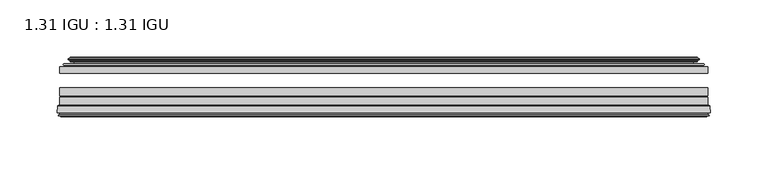
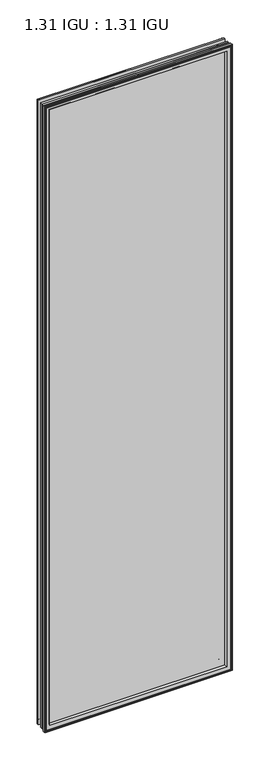
"""IFC4 building model written with IfcOpenShell, lengths in millimetres: plate geometry, 1.31 IGU : 1.31 IGU."""

from ifc_helpers import new_model, si_unit, frame, origin, place, context, project, spatial, polyline, ellipse_curve, outline, extrude, source, transform, mapped, element, save
from ifc_brep_helpers import plane_surface, cylinder_surface, revolved_surface, advanced_brep


def plate_1_31_igu_1_31_igu_366c70c2(model_context):
    return source(origin(), model_context, "Body", "SolidModel", [
        extrude(outline(polyline([(284.1575649, -44.8960875), (284.1575649, -50.4332875), (-284.1625, -50.4332875), (-284.1625, -44.8960875), (284.1575649, -44.8960875)])), frame((0.0, 0.0, -14.2875), z_axis=(0.0, 0.0, 1.0), x_axis=(1.0, 0.0, 0.0)), (0.0, 0.0, 1.0), 2009.67848),
        extrude(outline(polyline([(-284.1625, -78.7796875), (-284.1625, -71.7692875), (284.1575649, -71.7692875), (284.1575649, -78.7796875), (-284.1625, -78.7796875)])), frame((0.0, 0.0, -14.2875), z_axis=(0.0, 0.0, 1.0), x_axis=(1.0, 0.0, 0.0)), (0.0, 0.0, 1.0), 2009.67848),
        extrude(outline(polyline([(-284.1625, -70.2452875), (-284.1625, -63.1332875), (284.1575649, -63.1332875), (284.1575649, -70.2452875), (-284.1625, -70.2452875)])), frame((0.0, 0.0, -14.2875), z_axis=(0.0, 0.0, 1.0), x_axis=(1.0, 0.0, 0.0)), (0.0, 0.0, 1.0), 2009.67848),
        advanced_brep(
        [(-286.7094039, -85.1296875, 1997.9378839), (-286.0146201, -79.4711276, 1997.2431001), (-286.0146201, -79.4711276, -16.1396201), (-286.7094039, -85.1296875, -16.8344039), (-284.3218039, -87.1207518, 1995.5502839), (-284.7790039, -85.1296875, 1996.0074839), (-284.7790039, -85.1296875, -14.9040039), (-284.3218039, -87.1207518, -14.4468039), (-285.3231658, -86.8524376, 1996.5516458), (-285.3231658, -86.8524376, -15.4481658), (-285.5664039, -87.7602147, 1996.7948839), (-285.5664039, -87.7602147, -15.6914039), (-283.5344039, -88.3046875, 1994.7628839), (-283.5344039, -88.3046875, -13.6594039), (-281.5024039, -87.7602147, 1992.7308839), (-281.5024039, -87.7602147, -11.6274039), (-281.7456421, -86.8524376, 1992.9741221), (-281.7456421, -86.8524376, -11.8706421), (-282.7470039, -87.1207518, 1993.9754839), (-282.7470039, -87.1207518, -12.8720039), (-282.2898039, -85.1296875, 1993.5182839), (-282.2898039, -85.1296875, -12.4148039), (-285.2330893, -78.7796875, 1996.4615693), (-285.2330893, -78.7796875, -15.3580893), (286.0146201, -79.4711276, -16.1396201), (286.7094039, -85.1296875, -16.8344039), (284.7790039, -85.1296875, -14.9040039), (284.3218039, -87.1207518, -14.4468039), (285.3231658, -86.8524376, -15.4481658), (285.5664039, -87.7602147, -15.6914039), (283.5344039, -88.3046875, -13.6594039), (281.5024039, -87.7602147, -11.6274039), (281.7456421, -86.8524376, -11.8706421), (282.7470039, -87.1207518, -12.8720039), (282.2898039, -85.1296875, -12.4148039), (285.2330893, -78.7796875, -15.3580893), (286.0146201, -79.4711276, 1997.2431001), (286.7094039, -85.1296875, 1997.9378839), (284.7790039, -85.1296875, 1996.0074839), (284.3218039, -87.1207518, 1995.5502839), (285.3231658, -86.8524376, 1996.5516458), (285.5664039, -87.7602147, 1996.7948839), (283.5344039, -88.3046875, 1994.7628839), (281.5024039, -87.7602147, 1992.7308839), (281.7456421, -86.8524376, 1992.9741221), (282.7470039, -87.1207518, 1993.9754839), (282.2898039, -85.1296875, 1993.5182839), (285.2330893, -78.7796875, 1996.4615693), (-269.8872131, -85.1296875, 1981.1156931), (269.8872131, -85.1296875, 1981.1156931), (269.8872131, -85.1296875, -0.0122131), (-269.8872131, -85.1296875, -0.0122131), (-266.5709362, -78.7796875, 3.3040638), (266.5709362, -78.7796875, 3.3040638), (266.5709362, -78.7796875, 1977.7994162), (-266.5709362, -78.7796875, 1977.7994162)],
        [
            (0, 1),
            (1, 2),
            (2, 3),
            (3, 0),
            (4, 5),
            (5, 6),
            (6, 7),
            (7, 4),
            (8, 4),
            (7, 9),
            (9, 8),
            (10, 8),
            (9, 11),
            (11, 10),
            (12, 10),
            (11, 13),
            (13, 12),
            (14, 12),
            (13, 15),
            (15, 14),
            (16, 14),
            (15, 17),
            (17, 16),
            (18, 16),
            (17, 19),
            (19, 18),
            (20, 18),
            (19, 21),
            (21, 20),
            (1, 22, ellipse_curve(frame((-285.2330893, -79.5670875, 1996.4615693), z_axis=(-0.7071067811865475, 0.0, -0.7071067811865475), x_axis=(-0.7071067811865474, 0.0, 0.7071067811865476)), 1.1135518, 0.7874)),
            (22, 23),
            (23, 2, ellipse_curve(frame((-285.2330893, -79.5670875, -15.3580893), z_axis=(-0.7071067811865475, 0.0, 0.7071067811865475), x_axis=(0.7071067811865474, 0.0, 0.7071067811865476)), 1.1135518, 0.7874)),
            (2, 24),
            (24, 25),
            (25, 3),
            (6, 26),
            (26, 27),
            (27, 7),
            (27, 28),
            (28, 9),
            (28, 29),
            (29, 11),
            (29, 30),
            (30, 13),
            (30, 31),
            (31, 15),
            (31, 32),
            (32, 17),
            (32, 33),
            (33, 19),
            (33, 34),
            (34, 21),
            (23, 35),
            (35, 24, ellipse_curve(frame((285.2330893, -79.5670875, -15.3580893), z_axis=(-0.7071067811865475, 0.0, -0.7071067811865475), x_axis=(-0.7071067811865476, 0.0, 0.7071067811865474)), 1.1135518, 0.7874)),
            (24, 36),
            (36, 37),
            (37, 25),
            (26, 38),
            (38, 39),
            (39, 27),
            (39, 40),
            (40, 28),
            (40, 41),
            (41, 29),
            (41, 42),
            (42, 30),
            (42, 43),
            (43, 31),
            (43, 44),
            (44, 32),
            (44, 45),
            (45, 33),
            (45, 46),
            (46, 34),
            (35, 47),
            (47, 36, ellipse_curve(frame((285.2330893, -79.5670875, 1996.4615693), z_axis=(0.7071067811865475, 0.0, -0.7071067811865475), x_axis=(-0.7071067811865474, 0.0, -0.7071067811865476)), 1.1135518, 0.7874)),
            (36, 1),
            (0, 37),
            (5, 38),
            (4, 39),
            (8, 40),
            (10, 41),
            (12, 42),
            (14, 43),
            (16, 44),
            (18, 45),
            (20, 46),
            (48, 49),
            (49, 50),
            (50, 51),
            (51, 48),
            (22, 47),
            (52, 53),
            (53, 54),
            (54, 55),
            (55, 52),
            (55, 48, ellipse_curve(frame((-258.6379182, -86.963653, 1969.8663982), z_axis=(0.7071067811865475, 0.0, 0.7071067811865475), x_axis=(0.7071067811865474, 0.0, -0.7071067811865476)), 16.118937, 11.3978097)),
            (51, 52, ellipse_curve(frame((-258.6379182, -86.963653, 11.2370818), z_axis=(0.7071067811865475, 0.0, -0.7071067811865475), x_axis=(-0.7071067811865474, 0.0, -0.7071067811865476)), 16.118937, 11.3978097)),
            (50, 53, ellipse_curve(frame((258.6379182, -86.963653, 11.2370818), z_axis=(0.7071067811865475, 0.0, 0.7071067811865475), x_axis=(0.7071067811865476, 0.0, -0.7071067811865474)), 16.118937, 11.3978097)),
            (49, 54, ellipse_curve(frame((258.6379182, -86.963653, 1969.8663982), z_axis=(-0.7071067811865475, 0.0, 0.7071067811865475), x_axis=(0.7071067811865474, 0.0, 0.7071067811865476)), 16.118937, 11.3978097)),
        ],
        [
            plane_surface(frame((-286.0146201, -79.4711276, 1997.2431001), z_axis=(-0.9925461516413008, 0.1218693434053207, 0.0), x_axis=(0.0, 0.0, -1.0))),
            plane_surface(frame((-284.7790039, -85.1296875, 1996.0074839), z_axis=(-0.9746347637895997, -0.22380142361654332, 0.0), x_axis=(0.0, 0.0, -1.0))),
            plane_surface(frame((-284.3218039, -87.1207518, 1995.5502839), z_axis=(0.2588190451026679, 0.9659258262890289, 0.0), x_axis=(0.0, 0.0, -1.0))),
            plane_surface(frame((-285.3231658, -86.8524376, 1996.5516458), z_axis=(-0.9659258262890449, 0.25881904510260834, 0.0), x_axis=(0.0, 0.0, -1.0))),
            plane_surface(frame((-285.5664039, -87.7602147, 1996.7948839), z_axis=(-0.258819045102569, -0.9659258262890554, 0.0), x_axis=(0.0, 0.0, -1.0))),
            plane_surface(frame((-283.5344039, -88.3046875, 1994.7628839), z_axis=(0.2588190451024146, -0.9659258262890968, 0.0), x_axis=(0.0, 0.0, -1.0))),
            plane_surface(frame((-281.5024039, -87.7602147, 1992.7308839), z_axis=(0.9659258262890272, 0.258819045102674, 0.0), x_axis=(0.0, 0.0, -1.0))),
            plane_surface(frame((-281.7456421, -86.8524376, 1992.9741221), z_axis=(-0.2588190451023417, 0.9659258262891163, 0.0), x_axis=(0.0, 0.0, -1.0))),
            plane_surface(frame((-282.7470039, -87.1207518, 1993.9754839), z_axis=(0.9746347637895936, -0.2238014236165695, 0.0), x_axis=(0.0, 0.0, -1.0))),
            cylinder_surface(frame((-285.2330893, -79.5670875, 2012.85348), z_axis=(0.0, 0.0, 1.0), x_axis=(-1.0, 0.0, 0.0)), 0.7874),
            plane_surface(frame((-286.0146201, -79.4711276, -16.1396201), z_axis=(0.0, 0.12186934340531747, -0.9925461516413012), x_axis=(1.0, 0.0, 0.0))),
            plane_surface(frame((-284.7790039, -85.1296875, -14.9040039), z_axis=(0.0, -0.22380142361654648, -0.9746347637895989), x_axis=(1.0, 0.0, 0.0))),
            plane_surface(frame((-284.3218039, -87.1207518, -14.4468039), z_axis=(0.0, 0.9659258262890298, 0.25881904510266474), x_axis=(1.0, 0.0, 0.0))),
            plane_surface(frame((-285.3231658, -86.8524376, -15.4481658), z_axis=(0.0, 0.25881904510260517, -0.9659258262890458), x_axis=(1.0, 0.0, 0.0))),
            plane_surface(frame((-285.5664039, -87.7602147, -15.6914039), z_axis=(0.0, -0.9659258262890563, -0.2588190451025658), x_axis=(1.0, 0.0, 0.0))),
            plane_surface(frame((-283.5344039, -88.3046875, -13.6594039), z_axis=(0.0, -0.965925826289096, 0.25881904510241777), x_axis=(1.0, 0.0, 0.0))),
            plane_surface(frame((-281.5024039, -87.7602147, -11.6274039), z_axis=(0.0, 0.2588190451026772, 0.9659258262890265), x_axis=(1.0, 0.0, 0.0))),
            plane_surface(frame((-281.7456421, -86.8524376, -11.8706421), z_axis=(0.0, 0.9659258262891154, -0.2588190451023449), x_axis=(1.0, 0.0, 0.0))),
            plane_surface(frame((-282.7470039, -87.1207518, -12.8720039), z_axis=(0.0, -0.22380142361656633, 0.9746347637895943), x_axis=(1.0, 0.0, 0.0))),
            cylinder_surface(frame((-301.625, -79.5670875, -15.3580893), z_axis=(-1.0, 0.0, 0.0), x_axis=(0.0, 0.0, -1.0)), 0.7874),
            plane_surface(frame((286.0146201, -79.4711276, -16.1396201), z_axis=(0.9925461516413017, 0.12186934340531423, 0.0), x_axis=(0.0, 0.0, 1.0))),
            plane_surface(frame((284.7790039, -85.1296875, -14.9040039), z_axis=(0.9746347637895981, -0.22380142361654964, 0.0), x_axis=(0.0, 0.0, 1.0))),
            plane_surface(frame((284.3218039, -87.1207518, -14.4468039), z_axis=(-0.25881904510266157, 0.9659258262890307, 0.0), x_axis=(0.0, 0.0, 1.0))),
            plane_surface(frame((285.3231658, -86.8524376, -15.4481658), z_axis=(0.9659258262890467, 0.258819045102602, 0.0), x_axis=(0.0, 0.0, 1.0))),
            plane_surface(frame((285.5664039, -87.7602147, -15.6914039), z_axis=(0.25881904510256265, -0.9659258262890572, 0.0), x_axis=(0.0, 0.0, 1.0))),
            plane_surface(frame((283.5344039, -88.3046875, -13.6594039), z_axis=(-0.25881904510242093, -0.9659258262890951, 0.0), x_axis=(0.0, 0.0, 1.0))),
            plane_surface(frame((281.5024039, -87.7602147, -11.6274039), z_axis=(-0.9659258262890256, 0.2588190451026804, 0.0), x_axis=(0.0, 0.0, 1.0))),
            plane_surface(frame((281.7456421, -86.8524376, -11.8706421), z_axis=(0.2588190451023481, 0.9659258262891146, 0.0), x_axis=(0.0, 0.0, 1.0))),
            plane_surface(frame((282.7470039, -87.1207518, -12.8720039), z_axis=(-0.9746347637895951, -0.22380142361656316, 0.0), x_axis=(0.0, 0.0, 1.0))),
            cylinder_surface(frame((285.2330893, -79.5670875, -31.75), z_axis=(0.0, 0.0, -1.0), x_axis=(1.0, 0.0, 0.0)), 0.7874),
            plane_surface(frame((286.0146201, -79.4711276, 1997.2431001), z_axis=(0.0, 0.12186934340531747, 0.9925461516413012), x_axis=(-1.0, 0.0, 0.0))),
            plane_surface(frame((286.7094039, -85.1296875, 1997.9378839), z_axis=(0.0, -1.0, 0.0), x_axis=(-1.0, 0.0, 0.0))),
            plane_surface(frame((284.7790039, -85.1296875, 1996.0074839), z_axis=(0.0, -0.22380142361654648, 0.9746347637895989), x_axis=(-1.0, 0.0, 0.0))),
            plane_surface(frame((284.3218039, -87.1207518, 1995.5502839), z_axis=(0.0, 0.9659258262890298, -0.25881904510266474), x_axis=(-1.0, 0.0, 0.0))),
            plane_surface(frame((285.3231658, -86.8524376, 1996.5516458), z_axis=(0.0, 0.25881904510260517, 0.9659258262890458), x_axis=(-1.0, 0.0, 0.0))),
            plane_surface(frame((285.5664039, -87.7602147, 1996.7948839), z_axis=(0.0, -0.9659258262890563, 0.2588190451025658), x_axis=(-1.0, 0.0, 0.0))),
            plane_surface(frame((283.5344039, -88.3046875, 1994.7628839), z_axis=(0.0, -0.965925826289096, -0.25881904510241777), x_axis=(-1.0, 0.0, 0.0))),
            plane_surface(frame((281.5024039, -87.7602147, 1992.7308839), z_axis=(0.0, 0.2588190451026772, -0.9659258262890265), x_axis=(-1.0, 0.0, 0.0))),
            plane_surface(frame((281.7456421, -86.8524376, 1992.9741221), z_axis=(0.0, 0.9659258262891155, 0.25881904510234494), x_axis=(-1.0, 0.0, 0.0))),
            plane_surface(frame((282.7470039, -87.1207518, 1993.9754839), z_axis=(0.0, -0.22380142361656633, -0.9746347637895943), x_axis=(-1.0, 0.0, 0.0))),
            plane_surface(frame((282.2898039, -85.1296875, 1993.5182839), z_axis=(0.0, -1.0, 0.0), x_axis=(-1.0, 0.0, 0.0))),
            plane_surface(frame((266.5709362, -78.7796875, 1977.7994162), z_axis=(0.0, 1.0, 0.0), x_axis=(-1.0, 0.0, 0.0))),
            cylinder_surface(frame((301.625, -79.5670875, 1996.4615693), z_axis=(1.0, 0.0, 0.0), x_axis=(0.0, 0.0, 1.0)), 0.7874),
            revolved_surface(polyline([(-270.0357279, -86.963653, -0.1607278582187064), (-270.0357279, -86.963653, 1981.2642078582187)]), (-258.6379182, -86.963653, 2012.85348), (0.0, 0.0, -1.0)),
            revolved_surface(polyline([(270.0357278582188, -86.963653, -0.16072789999999948), (-270.03572785821876, -86.963653, -0.16072789999999948)]), (-301.625, -86.963653, 11.2370818), (1.0, 0.0, 0.0)),
            revolved_surface(polyline([(270.0357279, -86.963653, 1981.2642078582187), (270.0357279, -86.963653, -0.16072785821874191)]), (258.6379182, -86.963653, -31.75), (0.0, 0.0, 1.0)),
            revolved_surface(polyline([(-270.0357278582188, -86.963653, 1981.2642079), (270.03572785821876, -86.963653, 1981.2642079)]), (301.625, -86.963653, 1969.8663982), (-1.0, 0.0, 0.0)),
        ],
        [
            (0, [[1, 2, 3, 4]]),
            (1, [[5, 6, 7, 8]]),
            (2, [[9, -8, 10, 11]]),
            (3, [[12, -11, 13, 14]]),
            (4, [[15, -14, 16, 17]]),
            (5, [[18, -17, 19, 20]]),
            (6, [[21, -20, 22, 23]]),
            (7, [[24, -23, 25, 26]]),
            (8, [[27, -26, 28, 29]]),
            (9, [[30, 31, 32, -2]]),
            (10, [[-3, 33, 34, 35]]),
            (11, [[-7, 36, 37, 38]]),
            (12, [[-10, -38, 39, 40]]),
            (13, [[-13, -40, 41, 42]]),
            (14, [[-16, -42, 43, 44]]),
            (15, [[-19, -44, 45, 46]]),
            (16, [[-22, -46, 47, 48]]),
            (17, [[-25, -48, 49, 50]]),
            (18, [[-28, -50, 51, 52]]),
            (19, [[-32, 53, 54, -33]]),
            (20, [[-34, 55, 56, 57]]),
            (21, [[-37, 58, 59, 60]]),
            (22, [[-39, -60, 61, 62]]),
            (23, [[-41, -62, 63, 64]]),
            (24, [[-43, -64, 65, 66]]),
            (25, [[-45, -66, 67, 68]]),
            (26, [[-47, -68, 69, 70]]),
            (27, [[-49, -70, 71, 72]]),
            (28, [[-51, -72, 73, 74]]),
            (29, [[-54, 75, 76, -55]]),
            (30, [[-56, 77, -1, 78]]),
            (31, [[-35, -57, -78, -4], [79, -58, -36, -6]]),
            (32, [[-59, -79, -5, 80]]),
            (33, [[-61, -80, -9, 81]]),
            (34, [[-63, -81, -12, 82]]),
            (35, [[-65, -82, -15, 83]]),
            (36, [[-67, -83, -18, 84]]),
            (37, [[-69, -84, -21, 85]]),
            (38, [[-71, -85, -24, 86]]),
            (39, [[-73, -86, -27, 87]]),
            (40, [[-52, -74, -87, -29], [88, 89, 90, 91]]),
            (41, [[92, -75, -53, -31], [93, 94, 95, 96]]),
            (42, [[-76, -92, -30, -77]]),
            (43, [[97, -91, 98, -96]]),
            (44, [[-98, -90, 99, -93]]),
            (45, [[-99, -89, 100, -94]]),
            (46, [[-100, -88, -97, -95]]),
        ],
    ),
        advanced_brep(
        [(-274.8171755, -37.7373382, 1986.0456555), (-269.8755426, -36.3108875, 1981.1040226), (-269.8755426, -36.3108875, -0.0005426), (-274.8171755, -37.7373382, -4.9421755), (-274.6520702, -36.9605789, 1985.8805502), (-274.6520702, -36.9605789, -4.7770702), (-275.2475559, -36.4771203, 1986.4760359), (-275.2475559, -36.4771203, -5.3725559), (-276.5121917, -37.766076, 1987.7406717), (-276.5121917, -37.766076, -6.6371917), (-276.5013749, -38.8797852, 1987.7298549), (-276.5013749, -38.8797852, -6.6263749), (-275.2198897, -40.1361433, 1986.4483697), (-275.2198897, -40.1361433, -5.3448897), (-274.6148829, -39.649943, 1985.8433629), (-274.6148829, -39.649943, -4.7398829), (-275.1688972, -39.0959287, 1986.3973772), (-275.1688972, -39.0959287, -5.2938972), (-272.8830887, -38.7029881, 1984.1115687), (-272.8830887, -38.7029881, -3.0080887), (-271.4240157, -40.2107282, 1982.6524957), (-271.4240157, -40.2107282, -1.5490157), (-271.7205976, -41.651269, 1982.9490776), (-271.7205976, -41.651269, -1.8455976), (-272.4918221, -42.2798875, 1983.7203021), (-272.4918221, -42.2798875, -2.6168221), (-280.7957984, -43.4871542, 1992.0242784), (-280.5205969, -42.2798875, 1991.7490769), (-280.5205969, -42.2798875, -10.6455969), (-280.7957984, -43.4871542, -10.9207984), (-277.3382297, -44.8960875, 1988.5667097), (-277.3382297, -44.8960875, -7.4632297), (-266.2406059, -44.023302, 1977.4690859), (-266.5959439, -44.8960875, 1977.8244239), (-266.5959439, -44.8960875, 3.2790561), (-266.2406059, -44.023302, 3.6343941), (-266.911804, -43.3681812, 1978.140284), (-266.911804, -43.3681812, 2.963196), (-268.5525946, -40.6686056, 1979.7810746), (-268.5525946, -40.6686056, 1.3224054), (269.8755426, -36.3108875, -0.0005426), (274.8171755, -37.7373382, -4.9421755), (274.6520702, -36.9605789, -4.7770702), (275.2475559, -36.4771203, -5.3725559), (276.5121917, -37.766076, -6.6371917), (276.5013749, -38.8797852, -6.6263749), (275.2198897, -40.1361433, -5.3448897), (274.6148829, -39.649943, -4.7398829), (275.1688972, -39.0959287, -5.2938972), (272.8830887, -38.7029881, -3.0080887), (271.4240157, -40.2107282, -1.5490157), (271.7205976, -41.651269, -1.8455976), (272.4918221, -42.2798875, -2.6168221), (280.5205969, -42.2798875, -10.6455969), (280.7957984, -43.4871542, -10.9207984), (277.3382297, -44.8960875, -7.4632297), (266.5959439, -44.8960875, 3.2790561), (266.2406059, -44.023302, 3.6343941), (266.911804, -43.3681812, 2.963196), (268.5525946, -40.6686056, 1.3224054), (269.8755426, -36.3108875, 1981.1040226), (274.8171755, -37.7373382, 1986.0456555), (274.6520702, -36.9605789, 1985.8805502), (275.2475559, -36.4771203, 1986.4760359), (276.5121917, -37.766076, 1987.7406717), (276.5013749, -38.8797852, 1987.7298549), (275.2198897, -40.1361433, 1986.4483697), (274.6148829, -39.649943, 1985.8433629), (275.1688972, -39.0959287, 1986.3973772), (272.8830887, -38.7029881, 1984.1115687), (271.4240157, -40.2107282, 1982.6524957), (271.7205976, -41.651269, 1982.9490776), (272.4918221, -42.2798875, 1983.7203021), (280.5205969, -42.2798875, 1991.7490769), (280.7957984, -43.4871542, 1992.0242784), (277.3382297, -44.8960875, 1988.5667097), (266.5959439, -44.8960875, 1977.8244239), (266.2406059, -44.023302, 1977.4690859), (266.911804, -43.3681812, 1978.140284), (268.5525946, -40.6686056, 1979.7810746)],
        [
            (0, 1),
            (1, 2),
            (2, 3),
            (3, 0),
            (4, 0),
            (3, 5),
            (5, 4),
            (6, 4, ellipse_curve(frame((-274.9725871, -36.746901, 1986.2010671), z_axis=(-0.7071067811865475, 0.0, -0.7071067811865475), x_axis=(-0.7071067811865474, 0.0, 0.7071067811865476)), 0.5447741, 0.3852135)),
            (5, 7, ellipse_curve(frame((-274.9725871, -36.746901, -5.0975871), z_axis=(-0.7071067811865475, 0.0, 0.7071067811865475), x_axis=(0.7071067811865474, 0.0, 0.7071067811865476)), 0.5447741, 0.3852135)),
            (7, 6),
            (8, 6),
            (7, 9),
            (9, 8),
            (10, 8, ellipse_curve(frame((-275.9501387, -38.3175243, 1987.1786187), z_axis=(-0.7071067811865475, 0.0, -0.7071067811865475), x_axis=(-0.7071067811865474, 0.0, 0.7071067811865476)), 1.1135518, 0.7874)),
            (9, 11, ellipse_curve(frame((-275.9501387, -38.3175243, -6.0751387), z_axis=(-0.7071067811865475, 0.0, 0.7071067811865475), x_axis=(0.7071067811865474, 0.0, 0.7071067811865476)), 1.1135518, 0.7874)),
            (11, 10),
            (12, 10),
            (11, 13),
            (13, 12),
            (14, 12, ellipse_curve(frame((-274.9462922, -39.8570738, 1986.1747722), z_axis=(-0.7071067811865475, 0.0, -0.7071067811865475), x_axis=(-0.7071067811865474, 0.0, 0.7071067811865476)), 0.552694, 0.3908137)),
            (13, 15, ellipse_curve(frame((-274.9462922, -39.8570738, -5.0712922), z_axis=(-0.7071067811865475, 0.0, 0.7071067811865475), x_axis=(0.7071067811865474, 0.0, 0.7071067811865476)), 0.552694, 0.3908137)),
            (15, 14),
            (16, 14),
            (15, 17),
            (17, 16),
            (18, 16),
            (17, 19),
            (19, 18),
            (20, 18, ellipse_curve(frame((-272.6679261, -39.954629, 1983.8964061), z_axis=(0.7071067811865475, 0.0, 0.7071067811865475), x_axis=(0.7071067811865474, 0.0, -0.7071067811865476)), 1.7960512, 1.27)),
            (19, 21, ellipse_curve(frame((-272.6679261, -39.954629, -2.7929261), z_axis=(0.7071067811865475, 0.0, -0.7071067811865475), x_axis=(-0.7071067811865474, 0.0, -0.7071067811865476)), 1.7960512, 1.27)),
            (21, 20),
            (22, 20),
            (21, 23),
            (23, 22),
            (24, 22, ellipse_curve(frame((-272.4918221, -41.4924875, 1983.7203021), z_axis=(0.7071067811865475, 0.0, 0.7071067811865475), x_axis=(0.7071067811865474, 0.0, -0.7071067811865476)), 1.1135518, 0.7874)),
            (23, 25, ellipse_curve(frame((-272.4918221, -41.4924875, -2.6168221), z_axis=(0.7071067811865475, 0.0, -0.7071067811865475), x_axis=(-0.7071067811865474, 0.0, -0.7071067811865476)), 1.1135518, 0.7874)),
            (25, 24),
            (26, 27, ellipse_curve(frame((-280.5205969, -42.9148875, 1991.7490769), z_axis=(-0.7071067811865475, 0.0, -0.7071067811865475), x_axis=(-0.7071067811865474, 0.0, 0.7071067811865476)), 0.8980256, 0.635)),
            (27, 28),
            (28, 29, ellipse_curve(frame((-280.5205969, -42.9148875, -10.6455969), z_axis=(-0.7071067811865475, 0.0, 0.7071067811865475), x_axis=(0.7071067811865474, 0.0, 0.7071067811865476)), 0.8980256, 0.635)),
            (29, 26),
            (30, 26),
            (29, 31),
            (31, 30),
            (32, 33, ellipse_curve(frame((-266.5959439, -44.3873602, 1977.8244239), z_axis=(-0.7071067811865475, 0.0, -0.7071067811865475), x_axis=(-0.7071067811865474, 0.0, 0.7071067811865476)), 0.719449, 0.5087273)),
            (33, 34),
            (34, 35, ellipse_curve(frame((-266.5959439, -44.3873602, 3.2790561), z_axis=(-0.7071067811865475, 0.0, 0.7071067811865475), x_axis=(0.7071067811865474, 0.0, 0.7071067811865476)), 0.719449, 0.5087273)),
            (35, 32),
            (36, 32),
            (35, 37),
            (37, 36),
            (38, 36, ellipse_curve(frame((-262.4764298, -38.823959, 1973.7049098), z_axis=(0.7071067811865475, 0.0, 0.7071067811865475), x_axis=(0.7071067811865474, 0.0, -0.7071067811865476)), 8.9802561, 6.35)),
            (37, 39, ellipse_curve(frame((-262.4764298, -38.823959, 7.3985702), z_axis=(0.7071067811865475, 0.0, -0.7071067811865475), x_axis=(-0.7071067811865474, 0.0, -0.7071067811865476)), 8.9802561, 6.35)),
            (39, 38),
            (1, 38),
            (39, 2),
            (2, 40),
            (40, 41),
            (41, 3),
            (41, 42),
            (42, 5),
            (42, 43, ellipse_curve(frame((274.9725871, -36.746901, -5.0975871), z_axis=(-0.7071067811865475, 0.0, -0.7071067811865475), x_axis=(-0.7071067811865476, 0.0, 0.7071067811865474)), 0.5447741, 0.3852135)),
            (43, 7),
            (43, 44),
            (44, 9),
            (44, 45, ellipse_curve(frame((275.9501387, -38.3175243, -6.0751387), z_axis=(-0.7071067811865475, 0.0, -0.7071067811865475), x_axis=(-0.7071067811865476, 0.0, 0.7071067811865474)), 1.1135518, 0.7874)),
            (45, 11),
            (45, 46),
            (46, 13),
            (46, 47, ellipse_curve(frame((274.9462922, -39.8570738, -5.0712922), z_axis=(-0.7071067811865475, 0.0, -0.7071067811865475), x_axis=(-0.7071067811865476, 0.0, 0.7071067811865474)), 0.552694, 0.3908137)),
            (47, 15),
            (47, 48),
            (48, 17),
            (48, 49),
            (49, 19),
            (49, 50, ellipse_curve(frame((272.6679261, -39.954629, -2.7929261), z_axis=(0.7071067811865475, 0.0, 0.7071067811865475), x_axis=(0.7071067811865476, 0.0, -0.7071067811865474)), 1.7960512, 1.27)),
            (50, 21),
            (50, 51),
            (51, 23),
            (51, 52, ellipse_curve(frame((272.4918221, -41.4924875, -2.6168221), z_axis=(0.7071067811865475, 0.0, 0.7071067811865475), x_axis=(0.7071067811865476, 0.0, -0.7071067811865474)), 1.1135518, 0.7874)),
            (52, 25),
            (28, 53),
            (53, 54, ellipse_curve(frame((280.5205969, -42.9148875, -10.6455969), z_axis=(-0.7071067811865475, 0.0, -0.7071067811865475), x_axis=(-0.7071067811865476, 0.0, 0.7071067811865474)), 0.8980256, 0.635)),
            (54, 29),
            (54, 55),
            (55, 31),
            (34, 56),
            (56, 57, ellipse_curve(frame((266.5959439, -44.3873602, 3.2790561), z_axis=(-0.7071067811865475, 0.0, -0.7071067811865475), x_axis=(-0.7071067811865476, 0.0, 0.7071067811865474)), 0.719449, 0.5087273)),
            (57, 35),
            (57, 58),
            (58, 37),
            (58, 59, ellipse_curve(frame((262.4764298, -38.823959, 7.3985702), z_axis=(0.7071067811865475, 0.0, 0.7071067811865475), x_axis=(0.7071067811865476, 0.0, -0.7071067811865474)), 8.9802561, 6.35)),
            (59, 39),
            (59, 40),
            (40, 60),
            (60, 61),
            (61, 41),
            (61, 62),
            (62, 42),
            (62, 63, ellipse_curve(frame((274.9725871, -36.746901, 1986.2010671), z_axis=(0.7071067811865475, 0.0, -0.7071067811865475), x_axis=(-0.7071067811865474, 0.0, -0.7071067811865476)), 0.5447741, 0.3852135)),
            (63, 43),
            (63, 64),
            (64, 44),
            (64, 65, ellipse_curve(frame((275.9501387, -38.3175243, 1987.1786187), z_axis=(0.7071067811865475, 0.0, -0.7071067811865475), x_axis=(-0.7071067811865474, 0.0, -0.7071067811865476)), 1.1135518, 0.7874)),
            (65, 45),
            (65, 66),
            (66, 46),
            (66, 67, ellipse_curve(frame((274.9462922, -39.8570738, 1986.1747722), z_axis=(0.7071067811865475, 0.0, -0.7071067811865475), x_axis=(-0.7071067811865474, 0.0, -0.7071067811865476)), 0.552694, 0.3908137)),
            (67, 47),
            (67, 68),
            (68, 48),
            (68, 69),
            (69, 49),
            (69, 70, ellipse_curve(frame((272.6679261, -39.954629, 1983.8964061), z_axis=(-0.7071067811865475, 0.0, 0.7071067811865475), x_axis=(0.7071067811865474, 0.0, 0.7071067811865476)), 1.7960512, 1.27)),
            (70, 50),
            (70, 71),
            (71, 51),
            (71, 72, ellipse_curve(frame((272.4918221, -41.4924875, 1983.7203021), z_axis=(-0.7071067811865475, 0.0, 0.7071067811865475), x_axis=(0.7071067811865474, 0.0, 0.7071067811865476)), 1.1135518, 0.7874)),
            (72, 52),
            (53, 73),
            (73, 74, ellipse_curve(frame((280.5205969, -42.9148875, 1991.7490769), z_axis=(0.7071067811865475, 0.0, -0.7071067811865475), x_axis=(-0.7071067811865474, 0.0, -0.7071067811865476)), 0.8980256, 0.635)),
            (74, 54),
            (74, 75),
            (75, 55),
            (56, 76),
            (76, 77, ellipse_curve(frame((266.5959439, -44.3873602, 1977.8244239), z_axis=(0.7071067811865475, 0.0, -0.7071067811865475), x_axis=(-0.7071067811865474, 0.0, -0.7071067811865476)), 0.719449, 0.5087273)),
            (77, 57),
            (77, 78),
            (78, 58),
            (78, 79, ellipse_curve(frame((262.4764298, -38.823959, 1973.7049098), z_axis=(-0.7071067811865475, 0.0, 0.7071067811865475), x_axis=(0.7071067811865474, 0.0, 0.7071067811865476)), 8.9802561, 6.35)),
            (79, 59),
            (79, 60),
            (60, 1),
            (0, 61),
            (4, 62),
            (6, 63),
            (8, 64),
            (10, 65),
            (12, 66),
            (14, 67),
            (16, 68),
            (18, 69),
            (20, 70),
            (22, 71),
            (24, 72),
            (27, 73),
            (26, 74),
            (30, 75),
            (33, 76),
            (32, 77),
            (36, 78),
            (38, 79),
        ],
        [
            plane_surface(frame((-269.8755426, -36.3108875, 1981.1040226), z_axis=(-0.27733649284928463, 0.9607728502273879, 0.0), x_axis=(0.0, 0.0, -1.0))),
            plane_surface(frame((-274.8171755, -37.7373382, 1986.0456555), z_axis=(0.9781476007338358, -0.20791169081761773, 0.0), x_axis=(0.0, 0.0, -1.0))),
            cylinder_surface(frame((-274.9725871, -36.746901, 2012.85348), z_axis=(0.0, 0.0, 1.0), x_axis=(-1.0, 0.0, 0.0)), 0.3852135),
            plane_surface(frame((-275.2475559, -36.4771203, 1986.4760359), z_axis=(-0.7138087599382162, 0.7003406701280929, 0.0), x_axis=(0.0, 0.0, -1.0))),
            cylinder_surface(frame((-275.9501387, -38.3175243, 2012.85348), z_axis=(0.0, 0.0, 1.0), x_axis=(-1.0, 0.0, 0.0)), 0.7874),
            plane_surface(frame((-276.5013749, -38.8797852, 1987.7298549), z_axis=(-0.7000714109283733, -0.7140728391423082, 0.0), x_axis=(0.0, 0.0, -1.0))),
            cylinder_surface(frame((-274.9462922, -39.8570738, 2012.85348), z_axis=(0.0, 0.0, 1.0), x_axis=(-1.0, 0.0, 0.0)), 0.3908137),
            plane_surface(frame((-274.6148829, -39.649943, 1985.8433629), z_axis=(0.7071067811861126, 0.7071067811869826, 0.0), x_axis=(0.0, 0.0, -1.0))),
            plane_surface(frame((-275.1688972, -39.0959287, 1986.3973772), z_axis=(0.1694194067101148, -0.9855440449974789, 0.0), x_axis=(0.0, 0.0, -1.0))),
            revolved_surface(polyline([(-273.93792609999997, -39.954629, -4.062926082878221), (-273.93792609999997, -39.954629, 1985.1664060828782)]), (-272.6679261, -39.954629, 2012.85348), (0.0, 0.0, -1.0)),
            plane_surface(frame((-271.4240157, -40.2107282, 1982.6524957), z_axis=(-0.9794570432566897, 0.20165292067030202, 0.0), x_axis=(0.0, 0.0, -1.0))),
            revolved_surface(polyline([(-273.27922209999997, -41.4924875, -3.4042221289826102), (-273.27922209999997, -41.4924875, 1984.5077021289826)]), (-272.4918221, -41.4924875, 2012.85348), (0.0, 0.0, -1.0)),
            cylinder_surface(frame((-280.5205969, -42.9148875, 2012.85348), z_axis=(0.0, 0.0, 1.0), x_axis=(-1.0, 0.0, 0.0)), 0.635),
            plane_surface(frame((-280.7957984, -43.4871542, 1992.0242784), z_axis=(-0.37736447542757934, -0.9260648209954139, 0.0), x_axis=(0.0, 0.0, -1.0))),
            cylinder_surface(frame((-266.5959439, -44.3873602, 2012.85348), z_axis=(0.0, 0.0, 1.0), x_axis=(-1.0, 0.0, 0.0)), 0.5087273),
            plane_surface(frame((-266.2406059, -44.023302, 1977.4690859), z_axis=(0.698484125849927, 0.7156255486884628, 0.0), x_axis=(0.0, 0.0, -1.0))),
            revolved_surface(polyline([(-268.8264298, -38.823959, 1.0485702148980636), (-268.8264298, -38.823959, 1980.054909785102)]), (-262.4764298, -38.823959, 2012.85348), (0.0, 0.0, -1.0)),
            plane_surface(frame((-268.5525946, -40.6686056, 1979.7810746), z_axis=(0.956876347351701, 0.2904955350411895, 0.0), x_axis=(0.0, 0.0, -1.0))),
            plane_surface(frame((-269.8755426, -36.3108875, -0.0005426), z_axis=(0.0, 0.960772850227387, -0.27733649284928774), x_axis=(1.0, 0.0, 0.0))),
            plane_surface(frame((-274.8171755, -37.7373382, -4.9421755), z_axis=(0.0, -0.20791169081761454, 0.9781476007338364), x_axis=(1.0, 0.0, 0.0))),
            cylinder_surface(frame((-301.625, -36.746901, -5.0975871), z_axis=(-1.0, 0.0, 0.0), x_axis=(0.0, 0.0, -1.0)), 0.3852135),
            plane_surface(frame((-275.2475559, -36.4771203, -5.3725559), z_axis=(0.0, 0.7003406701280904, -0.7138087599382185), x_axis=(1.0, 0.0, 0.0))),
            cylinder_surface(frame((-301.625, -38.3175243, -6.0751387), z_axis=(-1.0, 0.0, 0.0), x_axis=(0.0, 0.0, -1.0)), 0.7874),
            plane_surface(frame((-276.5013749, -38.8797852, -6.6263749), z_axis=(0.0, -0.7140728391423106, -0.700071410928371), x_axis=(1.0, 0.0, 0.0))),
            cylinder_surface(frame((-301.625, -39.8570738, -5.0712922), z_axis=(-1.0, 0.0, 0.0), x_axis=(0.0, 0.0, -1.0)), 0.3908137),
            plane_surface(frame((-274.6148829, -39.649943, -4.7398829), z_axis=(0.0, 0.7071067811869849, 0.7071067811861103), x_axis=(1.0, 0.0, 0.0))),
            plane_surface(frame((-275.1688972, -39.0959287, -5.2938972), z_axis=(0.0, -0.9855440449974784, 0.16941940671011801), x_axis=(1.0, 0.0, 0.0))),
            revolved_surface(polyline([(273.9379260828782, -39.954629, -4.0629261), (-273.9379260828782, -39.954629, -4.0629261)]), (-301.625, -39.954629, -2.7929261), (1.0, 0.0, 0.0)),
            plane_surface(frame((-271.4240157, -40.2107282, -1.5490157), z_axis=(0.0, 0.20165292067029883, -0.9794570432566904), x_axis=(1.0, 0.0, 0.0))),
            revolved_surface(polyline([(273.2792221289825, -41.4924875, -3.4042220999999997), (-273.27922212898244, -41.4924875, -3.4042220999999997)]), (-301.625, -41.4924875, -2.6168221), (1.0, 0.0, 0.0)),
            cylinder_surface(frame((-301.625, -42.9148875, -10.6455969), z_axis=(-1.0, 0.0, 0.0), x_axis=(0.0, 0.0, -1.0)), 0.635),
            plane_surface(frame((-280.7957984, -43.4871542, -10.9207984), z_axis=(0.0, -0.9260648209954151, -0.37736447542757634), x_axis=(1.0, 0.0, 0.0))),
            cylinder_surface(frame((-301.625, -44.3873602, 3.2790561), z_axis=(-1.0, 0.0, 0.0), x_axis=(0.0, 0.0, -1.0)), 0.5087273),
            plane_surface(frame((-266.2406059, -44.023302, 3.6343941), z_axis=(0.0, 0.7156255486884651, 0.6984841258499247), x_axis=(1.0, 0.0, 0.0))),
            revolved_surface(polyline([(268.8264297851018, -38.823959, 1.0485702000000003), (-268.8264297851019, -38.823959, 1.0485702000000003)]), (-301.625, -38.823959, 7.3985702), (1.0, 0.0, 0.0)),
            plane_surface(frame((-268.5525946, -40.6686056, 1.3224054), z_axis=(0.0, 0.29049553504119263, 0.9568763473517), x_axis=(1.0, 0.0, 0.0))),
            plane_surface(frame((269.8755426, -36.3108875, -0.0005426), z_axis=(0.27733649284929085, 0.9607728502273861, 0.0), x_axis=(0.0, 0.0, 1.0))),
            plane_surface(frame((274.8171755, -37.7373382, -4.9421755), z_axis=(-0.9781476007338371, -0.20791169081761135, 0.0), x_axis=(0.0, 0.0, 1.0))),
            cylinder_surface(frame((274.9725871, -36.746901, -31.75), z_axis=(0.0, 0.0, -1.0), x_axis=(1.0, 0.0, 0.0)), 0.3852135),
            plane_surface(frame((275.2475559, -36.4771203, -5.3725559), z_axis=(0.7138087599382208, 0.7003406701280881, 0.0), x_axis=(0.0, 0.0, 1.0))),
            cylinder_surface(frame((275.9501387, -38.3175243, -31.75), z_axis=(0.0, 0.0, -1.0), x_axis=(1.0, 0.0, 0.0)), 0.7874),
            plane_surface(frame((276.5013749, -38.8797852, -6.6263749), z_axis=(0.7000714109283687, -0.7140728391423129, 0.0), x_axis=(0.0, 0.0, 1.0))),
            cylinder_surface(frame((274.9462922, -39.8570738, -31.75), z_axis=(0.0, 0.0, -1.0), x_axis=(1.0, 0.0, 0.0)), 0.3908137),
            plane_surface(frame((274.6148829, -39.649943, -4.7398829), z_axis=(-0.7071067811861079, 0.7071067811869872, 0.0), x_axis=(0.0, 0.0, 1.0))),
            plane_surface(frame((275.1688972, -39.0959287, -5.2938972), z_axis=(-0.16941940671012123, -0.9855440449974778, 0.0), x_axis=(0.0, 0.0, 1.0))),
            revolved_surface(polyline([(273.93792609999997, -39.954629, 1985.1664060828782), (273.93792609999997, -39.954629, -4.062926082878235)]), (272.6679261, -39.954629, -31.75), (0.0, 0.0, 1.0)),
            plane_surface(frame((271.4240157, -40.2107282, -1.5490157), z_axis=(0.979457043256691, 0.20165292067029564, 0.0), x_axis=(0.0, 0.0, 1.0))),
            revolved_surface(polyline([(273.27922209999997, -41.4924875, 1984.5077021289826), (273.27922209999997, -41.4924875, -3.404222128982486)]), (272.4918221, -41.4924875, -31.75), (0.0, 0.0, 1.0)),
            cylinder_surface(frame((280.5205969, -42.9148875, -31.75), z_axis=(0.0, 0.0, -1.0), x_axis=(1.0, 0.0, 0.0)), 0.635),
            plane_surface(frame((280.7957984, -43.4871542, -10.9207984), z_axis=(0.37736447542757334, -0.9260648209954163, 0.0), x_axis=(0.0, 0.0, 1.0))),
            cylinder_surface(frame((266.5959439, -44.3873602, -31.75), z_axis=(0.0, 0.0, -1.0), x_axis=(1.0, 0.0, 0.0)), 0.5087273),
            plane_surface(frame((266.2406059, -44.023302, 3.6343941), z_axis=(-0.6984841258499224, 0.7156255486884673, 0.0), x_axis=(0.0, 0.0, 1.0))),
            revolved_surface(polyline([(268.8264298, -38.823959, 1980.054909785102), (268.8264298, -38.823959, 1.0485702148981417)]), (262.4764298, -38.823959, -31.75), (0.0, 0.0, 1.0)),
            plane_surface(frame((268.5525946, -40.6686056, 1.3224054), z_axis=(-0.9568763473516991, 0.2904955350411958, 0.0), x_axis=(0.0, 0.0, 1.0))),
            plane_surface(frame((269.8755426, -36.3108875, 1981.1040226), z_axis=(0.0, 0.960772850227387, 0.27733649284928774), x_axis=(-1.0, 0.0, 0.0))),
            plane_surface(frame((274.8171755, -37.7373382, 1986.0456555), z_axis=(0.0, -0.20791169081761454, -0.9781476007338364), x_axis=(-1.0, 0.0, 0.0))),
            cylinder_surface(frame((301.625, -36.746901, 1986.2010671), z_axis=(1.0, 0.0, 0.0), x_axis=(0.0, 0.0, 1.0)), 0.3852135),
            plane_surface(frame((275.2475559, -36.4771203, 1986.4760359), z_axis=(0.0, 0.7003406701280904, 0.7138087599382185), x_axis=(-1.0, 0.0, 0.0))),
            cylinder_surface(frame((301.625, -38.3175243, 1987.1786187), z_axis=(1.0, 0.0, 0.0), x_axis=(0.0, 0.0, 1.0)), 0.7874),
            plane_surface(frame((276.5013749, -38.8797852, 1987.7298549), z_axis=(0.0, -0.7140728391423106, 0.700071410928371), x_axis=(-1.0, 0.0, 0.0))),
            cylinder_surface(frame((301.625, -39.8570738, 1986.1747722), z_axis=(1.0, 0.0, 0.0), x_axis=(0.0, 0.0, 1.0)), 0.3908137),
            plane_surface(frame((274.6148829, -39.649943, 1985.8433629), z_axis=(0.0, 0.7071067811869849, -0.7071067811861103), x_axis=(-1.0, 0.0, 0.0))),
            plane_surface(frame((275.1688972, -39.0959287, 1986.3973772), z_axis=(0.0, -0.9855440449974784, -0.16941940671011801), x_axis=(-1.0, 0.0, 0.0))),
            revolved_surface(polyline([(-273.9379260828782, -39.954629, 1985.1664061), (273.9379260828782, -39.954629, 1985.1664061)]), (301.625, -39.954629, 1983.8964061), (-1.0, 0.0, 0.0)),
            plane_surface(frame((271.4240157, -40.2107282, 1982.6524957), z_axis=(0.0, 0.20165292067029883, 0.9794570432566904), x_axis=(-1.0, 0.0, 0.0))),
            revolved_surface(polyline([(-273.2792221289825, -41.4924875, 1984.5077021), (273.27922212898244, -41.4924875, 1984.5077021)]), (301.625, -41.4924875, 1983.7203021), (-1.0, 0.0, 0.0)),
            plane_surface(frame((272.4918221, -42.2798875, 1983.7203021), z_axis=(0.0, 1.0, 0.0), x_axis=(-1.0, 0.0, 0.0))),
            cylinder_surface(frame((301.625, -42.9148875, 1991.7490769), z_axis=(1.0, 0.0, 0.0), x_axis=(0.0, 0.0, 1.0)), 0.635),
            plane_surface(frame((280.7957984, -43.4871542, 1992.0242784), z_axis=(0.0, -0.9260648209954151, 0.37736447542757634), x_axis=(-1.0, 0.0, 0.0))),
            plane_surface(frame((277.3382297, -44.8960875, 1988.5667097), z_axis=(0.0, -1.0, 0.0), x_axis=(-1.0, 0.0, 0.0))),
            cylinder_surface(frame((301.625, -44.3873602, 1977.8244239), z_axis=(1.0, 0.0, 0.0), x_axis=(0.0, 0.0, 1.0)), 0.5087273),
            plane_surface(frame((266.2406059, -44.023302, 1977.4690859), z_axis=(0.0, 0.7156255486884651, -0.6984841258499247), x_axis=(-1.0, 0.0, 0.0))),
            revolved_surface(polyline([(-268.8264297851018, -38.823959, 1980.0549098), (268.8264297851019, -38.823959, 1980.0549098)]), (301.625, -38.823959, 1973.7049098), (-1.0, 0.0, 0.0)),
            plane_surface(frame((268.5525946, -40.6686056, 1979.7810746), z_axis=(0.0, 0.2904955350411927, -0.9568763473517001), x_axis=(-1.0, 0.0, 0.0))),
        ],
        [
            (0, [[1, 2, 3, 4]]),
            (1, [[5, -4, 6, 7]]),
            (2, [[8, -7, 9, 10]]),
            (3, [[11, -10, 12, 13]]),
            (4, [[14, -13, 15, 16]]),
            (5, [[17, -16, 18, 19]]),
            (6, [[20, -19, 21, 22]]),
            (7, [[23, -22, 24, 25]]),
            (8, [[26, -25, 27, 28]]),
            (9, [[29, -28, 30, 31]]),
            (10, [[32, -31, 33, 34]]),
            (11, [[35, -34, 36, 37]]),
            (12, [[38, 39, 40, 41]]),
            (13, [[42, -41, 43, 44]]),
            (14, [[45, 46, 47, 48]]),
            (15, [[49, -48, 50, 51]]),
            (16, [[52, -51, 53, 54]]),
            (17, [[55, -54, 56, -2]]),
            (18, [[-3, 57, 58, 59]]),
            (19, [[-6, -59, 60, 61]]),
            (20, [[-9, -61, 62, 63]]),
            (21, [[-12, -63, 64, 65]]),
            (22, [[-15, -65, 66, 67]]),
            (23, [[-18, -67, 68, 69]]),
            (24, [[-21, -69, 70, 71]]),
            (25, [[-24, -71, 72, 73]]),
            (26, [[-27, -73, 74, 75]]),
            (27, [[-30, -75, 76, 77]]),
            (28, [[-33, -77, 78, 79]]),
            (29, [[-36, -79, 80, 81]]),
            (30, [[-40, 82, 83, 84]]),
            (31, [[-43, -84, 85, 86]]),
            (32, [[-47, 87, 88, 89]]),
            (33, [[-50, -89, 90, 91]]),
            (34, [[-53, -91, 92, 93]]),
            (35, [[-56, -93, 94, -57]]),
            (36, [[-58, 95, 96, 97]]),
            (37, [[-60, -97, 98, 99]]),
            (38, [[-62, -99, 100, 101]]),
            (39, [[-64, -101, 102, 103]]),
            (40, [[-66, -103, 104, 105]]),
            (41, [[-68, -105, 106, 107]]),
            (42, [[-70, -107, 108, 109]]),
            (43, [[-72, -109, 110, 111]]),
            (44, [[-74, -111, 112, 113]]),
            (45, [[-76, -113, 114, 115]]),
            (46, [[-78, -115, 116, 117]]),
            (47, [[-80, -117, 118, 119]]),
            (48, [[-83, 120, 121, 122]]),
            (49, [[-85, -122, 123, 124]]),
            (50, [[-88, 125, 126, 127]]),
            (51, [[-90, -127, 128, 129]]),
            (52, [[-92, -129, 130, 131]]),
            (53, [[-94, -131, 132, -95]]),
            (54, [[-96, 133, -1, 134]]),
            (55, [[-98, -134, -5, 135]]),
            (56, [[-100, -135, -8, 136]]),
            (57, [[-102, -136, -11, 137]]),
            (58, [[-104, -137, -14, 138]]),
            (59, [[-106, -138, -17, 139]]),
            (60, [[-108, -139, -20, 140]]),
            (61, [[-110, -140, -23, 141]]),
            (62, [[-112, -141, -26, 142]]),
            (63, [[-114, -142, -29, 143]]),
            (64, [[-116, -143, -32, 144]]),
            (65, [[-118, -144, -35, 145]]),
            (66, [[146, -120, -82, -39], [-81, -119, -145, -37]]),
            (67, [[-121, -146, -38, 147]]),
            (68, [[-123, -147, -42, 148]]),
            (69, [[-86, -124, -148, -44], [149, -125, -87, -46]]),
            (70, [[-126, -149, -45, 150]]),
            (71, [[-128, -150, -49, 151]]),
            (72, [[-130, -151, -52, 152]]),
            (73, [[-132, -152, -55, -133]]),
        ],
    ),
    ])


if __name__ == "__main__":
    model = new_model("IFC4")
    model_context = context("Model", 3, world=origin())
    ifc_project = project(units=[si_unit("LENGTHUNIT", "METRE", prefix="MILLI")], contexts=[model_context])
    site = spatial("IfcSite", under=ifc_project)
    building = spatial("IfcBuilding", under=site)
    placement = place(None, origin())
    plate_1_31_igu_1_31_igu_shape = plate_1_31_igu_1_31_igu_366c70c2(model_context)
    element("IfcPlate", 1, ObjectType="1.31 IGU : 1.31 IGU", at=placement, inside=building, context=model_context, shape_type="MappedRepresentation", body=[
        mapped(plate_1_31_igu_1_31_igu_shape, transform((0.0, 0.0, 0.0), x_axis=(1.0, 0.0, 0.0), y_axis=(0.0, 1.0, 0.0), z_axis=(0.0, 0.0, 1.0))),
    ])
    save(model, "model.ifc")
